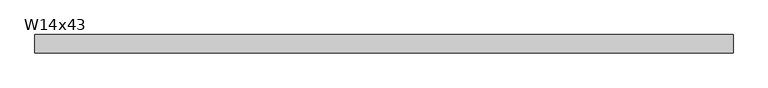
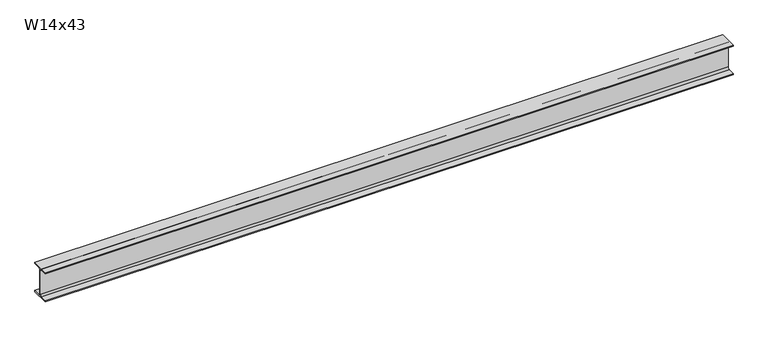
"""IFC4 building model written with IfcOpenShell, lengths in millimetres: beam geometry, W14x43."""

import ifcopenshell
import ifcopenshell.guid

model = None  # the IFC model being written
_history = None  # IfcOwnerHistory: only IFC2X3 demands one
_inside = {}  # id of a spatial element -> (the spatial element, [elements in it])
_under = {}  # id of a project, library or spatial element -> (it, [spatial elements below it])
_declared = {}  # id of a project -> (the project, [libraries it declares])
_typed = {}  # id of a type object -> (the type object, [elements of that type])
_made_of = {}  # id of a material, layer set ... -> (it, [elements and type objects made of it])


def new_model(schema):
    """Start an empty IFC model of exactly this schema.

    Asked for "IFC4X3", IfcOpenShell would pick the latest addendum, in which some entities
    have other attributes; the version numbers below select the first issue.
    IFC2X3 requires an IfcOwnerHistory on every rooted entity: one is made here for all.
    """
    global model, _history
    if schema == "IFC4X3":
        model = ifcopenshell.file(schema_version=(4, 3, 0, 0))
    else:
        model = ifcopenshell.file(schema=schema)
    _inside.clear()
    _under.clear()
    _declared.clear()
    _typed.clear()
    _made_of.clear()
    _history = None
    if model.schema == "IFC2X3":
        org = make("IfcOrganization", Name="unknown")
        user = make(
            "IfcPersonAndOrganization",
            ThePerson=make("IfcPerson", FamilyName="unknown"),
            TheOrganization=org,
        )
        app = make(
            "IfcApplication",
            ApplicationDeveloper=org,
            Version="unknown",
            ApplicationFullName="unknown",
            ApplicationIdentifier="unknown",
        )
        _history = make(
            "IfcOwnerHistory",
            OwningUser=user,
            OwningApplication=app,
            ChangeAction="ADDED",
            CreationDate=0,
        )
    return model


def make(cls, **values):
    """One entity of the class cls with the attributes given. An attribute that is None is left unset."""
    return model.create_entity(
        cls, **{name: value for name, value in values.items() if value is not None}
    )


def rooted(cls, **values):
    """An entity with a GlobalId (a new one), such as an element, a storey or a relation."""
    return make(cls, GlobalId=ifcopenshell.guid.new(), OwnerHistory=_history, **values)


def si_unit(unit_type, name, prefix=None):
    """IfcSIUnit, for example si_unit("LENGTHUNIT", "METRE", prefix="MILLI")."""
    return make("IfcSIUnit", UnitType=unit_type, Prefix=prefix, Name=name)


def assignment(units):
    """IfcUnitAssignment: the units of a project."""
    return None if units is None else make("IfcUnitAssignment", Units=units)


def point(xyz):
    """IfcCartesianPoint."""
    return None if xyz is None else make("IfcCartesianPoint", Coordinates=xyz)


def direction(xyz):
    """IfcDirection."""
    return None if xyz is None else make("IfcDirection", DirectionRatios=xyz)


def frame(location, z_axis=None, x_axis=None):
    """IfcAxis2Placement3D, a coordinate frame: its origin and axes. An axis left out is left unset."""
    return make(
        "IfcAxis2Placement3D",
        Location=point(location),
        Axis=direction(z_axis),
        RefDirection=direction(x_axis),
    )


def frame_2d(location, x_axis=None):
    """IfcAxis2Placement2D, a coordinate frame in the plane: its origin and x axis."""
    return make(
        "IfcAxis2Placement2D", Location=point(location), RefDirection=direction(x_axis)
    )


def origin():
    """The frame at (0, 0, 0) with its axes left unset."""
    return frame((0.0, 0.0, 0.0))


def place(relative_to, where):
    """IfcLocalPlacement: puts the frame where relative to a parent placement (None: the world)."""
    return make(
        "IfcLocalPlacement", PlacementRelTo=relative_to, RelativePlacement=where
    )


def context(
    kind, dimensions, precision=None, world=None, true_north=None, identifier=None
):
    """IfcGeometricRepresentationContext, for example the 3D "Model" context."""
    return make(
        "IfcGeometricRepresentationContext",
        ContextIdentifier=identifier,
        ContextType=kind,
        CoordinateSpaceDimension=dimensions,
        Precision=precision,
        WorldCoordinateSystem=world,
        TrueNorth=true_north,
    )


def project(units=None, contexts=None):
    """IfcProject with its units and contexts."""
    return rooted(
        "IfcProject",
        Name="project",
        RepresentationContexts=contexts,
        UnitsInContext=assignment(units),
    )


def spatial(cls, under=None, at=None, **own):
    """A site, building, storey or space (cls), placed at a placement, below another one or the project."""
    s = rooted(cls, ObjectPlacement=at, **own)
    if under is not None:
        _under.setdefault(under.id(), (under, []))[1].append(s)
    return s


def polyline(points):
    """IfcPolyline through the points."""
    return make("IfcPolyline", Points=[point(p) for p in points])


def circle_curve(where, radius):
    """IfcCircle in the frame where."""
    return make("IfcCircle", Position=where, Radius=radius)


def trimmed(basis, trim1, trim2, sense, master):
    """IfcTrimmedCurve: the piece of a basis curve between two trims."""
    return make(
        "IfcTrimmedCurve",
        BasisCurve=basis,
        Trim1=trim1,
        Trim2=trim2,
        SenseAgreement=sense,
        MasterRepresentation=master,
    )


def segment(curve, same_sense, transition):
    """IfcCompositeCurveSegment."""
    return make(
        "IfcCompositeCurveSegment",
        Transition=transition,
        SameSense=same_sense,
        ParentCurve=curve,
    )


def composite_curve(segments, self_intersect=None):
    """IfcCompositeCurve: segments joined end to end."""
    return make("IfcCompositeCurve", Segments=segments, SelfIntersect=self_intersect)


def outline(outer, holes=None, kind="AREA"):
    """IfcArbitraryClosedProfileDef: a profile drawn as a closed curve; with holes, ...WithVoids."""
    if holes is None:
        return make("IfcArbitraryClosedProfileDef", ProfileType=kind, OuterCurve=outer)
    return make(
        "IfcArbitraryProfileDefWithVoids",
        ProfileType=kind,
        OuterCurve=outer,
        InnerCurves=holes,
    )


def extrude(swept, where, along, depth):
    """IfcExtrudedAreaSolid: the profile swept, set in the frame where, extruded along a direction by depth."""
    return make(
        "IfcExtrudedAreaSolid",
        SweptArea=swept,
        Position=where,
        ExtrudedDirection=direction(along),
        Depth=depth,
    )


def shape(context_of_items, identifier, shape_type, items):
    """IfcShapeRepresentation: the items that make up one representation, for example the "Body"."""
    return make(
        "IfcShapeRepresentation",
        ContextOfItems=context_of_items,
        RepresentationIdentifier=identifier,
        RepresentationType=shape_type,
        Items=items,
    )


def source(mapping_origin, context_of_items, identifier, shape_type, items):
    """IfcRepresentationMap: a shape defined once, which mapped items show again and again."""
    return make(
        "IfcRepresentationMap",
        MappingOrigin=mapping_origin,
        MappedRepresentation=shape(context_of_items, identifier, shape_type, items),
    )


def transform(
    local_origin,
    x_axis=None,
    y_axis=None,
    z_axis=None,
    scale=None,
    scale2=None,
    scale3=None,
    uniform=True,
):
    """IfcCartesianTransformationOperator3D, or its non-uniform kind. x_axis, y_axis, z_axis: its Axis1, 2, 3."""
    if uniform:
        return make(
            "IfcCartesianTransformationOperator3D",
            Axis1=direction(x_axis),
            Axis2=direction(y_axis),
            LocalOrigin=point(local_origin),
            Scale=scale,
            Axis3=direction(z_axis),
        )
    return make(
        "IfcCartesianTransformationOperator3DnonUniform",
        Axis1=direction(x_axis),
        Axis2=direction(y_axis),
        LocalOrigin=point(local_origin),
        Scale=scale,
        Axis3=direction(z_axis),
        Scale2=scale2,
        Scale3=scale3,
    )


def mapped(mapping_source, mapping_target):
    """IfcMappedItem: shows the shape of a source again, moved by a transform."""
    return make(
        "IfcMappedItem", MappingSource=mapping_source, MappingTarget=mapping_target
    )


def made_of(thing, what):
    """Note that an element or type object is made of a material, layer set ...; save() writes the relation."""
    if what is not None:
        _made_of.setdefault(what.id(), (what, []))[1].append(thing)
    return thing


def element(
    cls,
    number,
    at=None,
    inside=None,
    cuts=None,
    type_object=None,
    material=None,
    context=None,
    identifier="Body",
    shape_type=None,
    held_by="IfcProductDefinitionShape",
    body=None,
    shapes=None,
    **own,
):
    """One element of the class cls, such as IfcWall. Its Tag is "e" and its number.

    at: its placement. inside: the storey or other place that contains it. cuts: it is an
    opening in that element (IfcRelVoidsElement). A single representation is given by context,
    identifier, shape_type and body (its items); several are given by shapes. held_by: the class
    of the entity that holds the representations. save() writes the other relations.
    """
    e = rooted(cls, Tag="e%d" % number, ObjectPlacement=at, **own)
    if body is not None:
        shapes = [shape(context, identifier, shape_type, body)]
    if shapes is not None:
        e.Representation = make(held_by, Representations=shapes)
    if inside is not None:
        _inside.setdefault(inside.id(), (inside, []))[1].append(e)
    if cuts is not None:
        rooted(
            "IfcRelVoidsElement", RelatingBuildingElement=cuts, RelatedOpeningElement=e
        )
    if type_object is not None:
        _typed.setdefault(type_object.id(), (type_object, []))[1].append(e)
    return made_of(e, material)


def aggregate(whole, parts):
    """IfcRelAggregates: a whole, such as a stair, and the parts it consists of."""
    return rooted("IfcRelAggregates", RelatingObject=whole, RelatedObjects=parts)


def save(model, path):
    """Write the relations noted so far, then the file.

    IfcRelAggregates (storeys below a building ...), IfcRelContainedInSpatialStructure (elements
    in a storey), IfcRelDefinesByType, IfcRelAssociatesMaterial and IfcRelDeclares: one each for
    every whole, place, type object, material and project.
    """
    for whole, parts in _under.values():
        aggregate(whole, parts)
    for where, things in _inside.values():
        rooted(
            "IfcRelContainedInSpatialStructure",
            RelatedElements=things,
            RelatingStructure=where,
        )
    for kind, things in _typed.values():
        rooted("IfcRelDefinesByType", RelatedObjects=things, RelatingType=kind)
    for what, things in _made_of.values():
        rooted("IfcRelAssociatesMaterial", RelatedObjects=things, RelatingMaterial=what)
    for by, libraries in _declared.values():
        rooted("IfcRelDeclares", RelatingContext=by, RelatedDefinitions=libraries)
    model.write(path)


def w14x43_24ca7ba9(model_context):
    return source(origin(), model_context, "Body", "SweptSolid", [
        extrude(outline(composite_curve([segment(polyline([(101.6, -160.528), (101.6, -173.99), (-101.6, -173.99), (-101.6, -160.528), (-25.3365, -160.528)]), True, "CONTINUOUS"), segment(trimmed(circle_curve(frame_2d((-25.3365, -139.065)), 21.463), [point((-25.3365, -160.528))], [point((-3.8735, -139.065))], True, "CARTESIAN"), True, "CONTINUOUS"), segment(polyline([(-3.8735, -139.065), (-3.8735, 139.065)]), True, "CONTINUOUS"), segment(trimmed(circle_curve(frame_2d((-25.3365, 139.065)), 21.463), [point((-3.8735, 139.065))], [point((-25.3365, 160.528))], True, "CARTESIAN"), True, "CONTINUOUS"), segment(polyline([(-25.3365, 160.528), (-101.6, 160.528), (-101.6, 173.99), (101.6, 173.99), (101.6, 160.528), (25.3365, 160.528)]), True, "CONTINUOUS"), segment(trimmed(circle_curve(frame_2d((25.3365, 139.065)), 21.463), [point((25.3365, 160.528))], [point((3.8735, 139.065))], True, "CARTESIAN"), True, "CONTINUOUS"), segment(polyline([(3.8735, 139.065), (3.8735, -139.065)]), True, "CONTINUOUS"), segment(trimmed(circle_curve(frame_2d((25.3365, -139.065)), 21.463), [point((3.8735, -139.065))], [point((25.3365, -160.528))], True, "CARTESIAN"), True, "CONTINUOUS"), segment(polyline([(25.3365, -160.528), (101.6, -160.528)]), True, "CONTINUOUS")], self_intersect=False)), frame((-3847.084, 0.0, 0.0), z_axis=(1.0, 0.0, 0.0), x_axis=(0.0, 1.0, 0.0)), (0.0, 0.0, 1.0), 7694.168),
    ])


if __name__ == "__main__":
    model = new_model("IFC4")
    model_context = context("Model", 3, world=origin())
    ifc_project = project(units=[si_unit("LENGTHUNIT", "METRE", prefix="MILLI")], contexts=[model_context])
    site = spatial("IfcSite", under=ifc_project)
    building = spatial("IfcBuilding", under=site)
    placement = place(None, origin())
    w14x43_shape = w14x43_24ca7ba9(model_context)
    element("IfcBeam", 1, ObjectType="W14x43", at=placement, inside=building, context=model_context, shape_type="MappedRepresentation", body=[
        mapped(w14x43_shape, transform((0.0, 0.0, 0.0), x_axis=(1.0, 0.0, 0.0), y_axis=(0.0, 1.0, 0.0), z_axis=(0.0, 0.0, 1.0))),
    ])
    save(model, "model.ifc")
